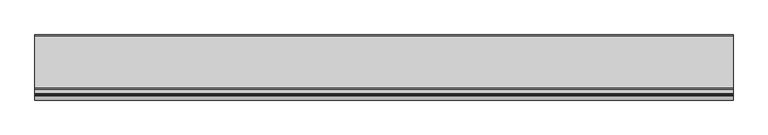
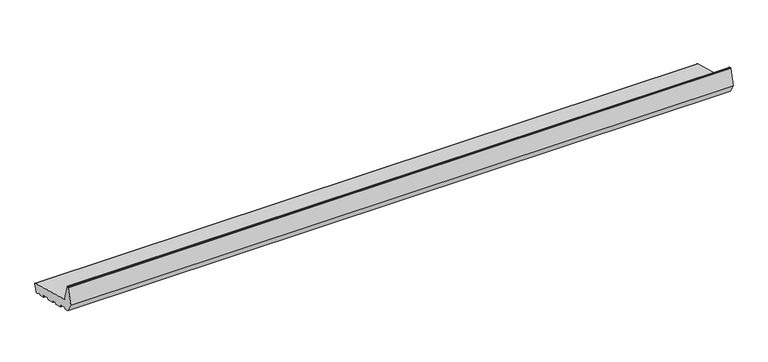
"""IFC4 building model written with IfcOpenShell, lengths in millimetres: proxy geometry."""

from ifc_helpers import new_model, si_unit, point, frame, frame_2d, origin, place, context, project, spatial, polyline, circle_curve, trimmed, segment, composite_curve, outline, extrude, source, transform, mapped, element, save


def generic_models_4727c7d5(model_context):
    return source(origin(), model_context, "Body", "SweptSolid", [
        extrude(outline(composite_curve([segment(polyline([(24.5646181, 4.2013545), (21.6668406, 4.9778116), (7.6810717, 13.5112573)]), True, "CONTINUOUS"), segment(trimmed(circle_curve(frame_2d((7.1602179, 12.6576114)), 1.0), [point((7.6810717, 13.5112573))], [point((6.1942921, 12.9164305))], True, "CARTESIAN"), True, "CONTINUOUS"), segment(polyline([(6.1942921, 12.9164305), (5.2461016, 9.3777354)]), True, "CONTINUOUS"), segment(trimmed(circle_curve(frame_2d((4.2801757, 9.6365544)), 1.0), [point((5.2461016, 9.3777354))], [point((4.0213567, 8.6706286))], False, "CARTESIAN"), True, "CONTINUOUS"), segment(polyline([(4.0213567, 8.6706286), (-13.3653082, 13.3293714)]), True, "CONTINUOUS"), segment(trimmed(circle_curve(frame_2d((-13.1064891, 14.2952972)), 1.0), [point((-13.3653082, 13.3293714))], [point((-14.072415, 14.5541163))], False, "CARTESIAN"), True, "CONTINUOUS"), segment(polyline([(-14.072415, 14.5541163), (-13.0371388, 18.4178196)]), True, "CONTINUOUS"), segment(trimmed(circle_curve(frame_2d((-14.0030646, 18.6766386)), 1.0), [point((-13.0371388, 18.4178196))], [point((-13.7442456, 19.6425645))], True, "CARTESIAN"), True, "CONTINUOUS"), segment(polyline([(-13.7442456, 19.6425645), (-39.8242429, 26.6306787)]), True, "CONTINUOUS"), segment(trimmed(circle_curve(frame_2d((-40.0830619, 25.6647528)), 1.0), [point((-39.8242429, 26.6306787))], [point((-41.0489877, 25.9235719))], True, "CARTESIAN"), True, "CONTINUOUS"), segment(polyline([(-41.0489877, 25.9235719), (-42.0842639, 22.0598686)]), True, "CONTINUOUS"), segment(trimmed(circle_curve(frame_2d((-43.0501897, 22.3186876)), 1.0), [point((-42.0842639, 22.0598686))], [point((-43.3090088, 21.3527618))], False, "CARTESIAN"), True, "CONTINUOUS"), segment(polyline([(-43.3090088, 21.3527618), (-68.4230803, 28.082057)]), True, "CONTINUOUS"), segment(trimmed(circle_curve(frame_2d((-68.1642612, 29.0479828)), 1.0), [point((-68.4230803, 28.082057))], [point((-69.1301871, 29.3068018))], False, "CARTESIAN"), True, "CONTINUOUS"), segment(polyline([(-69.1301871, 29.3068018), (-68.0949109, 33.1705052)]), True, "CONTINUOUS"), segment(trimmed(circle_curve(frame_2d((-69.0608367, 33.4293242)), 1.0), [point((-68.0949109, 33.1705052))], [point((-68.8020177, 34.39525))], True, "CARTESIAN"), True, "CONTINUOUS"), segment(polyline([(-68.8020177, 34.39525), (-84.2568309, 38.5363547)]), True, "CONTINUOUS"), segment(trimmed(circle_curve(frame_2d((-84.5156499, 37.5704289)), 1.0), [point((-84.2568309, 38.5363547))], [point((-85.4815758, 37.829248))], True, "CARTESIAN"), True, "CONTINUOUS"), segment(polyline([(-85.4815758, 37.829248), (-86.5168519, 33.9655447)]), True, "CONTINUOUS"), segment(trimmed(circle_curve(frame_2d((-87.4827778, 34.2243637)), 1.0), [point((-86.5168519, 33.9655447))], [point((-87.7415968, 33.2584379))], False, "CARTESIAN"), True, "CONTINUOUS"), segment(polyline([(-87.7415968, 33.2584379), (-112.8556683, 39.9877331)]), True, "CONTINUOUS"), segment(trimmed(circle_curve(frame_2d((-112.5968492, 40.9536589)), 1.0), [point((-112.8556683, 39.9877331))], [point((-113.5627751, 41.2124779))], False, "CARTESIAN"), True, "CONTINUOUS"), segment(polyline([(-113.5627751, 41.2124779), (-112.5274989, 45.0761812)]), True, "CONTINUOUS"), segment(trimmed(circle_curve(frame_2d((-113.4934247, 45.3350003)), 1.0), [point((-112.5274989, 45.0761812))], [point((-113.2346057, 46.3009261))], True, "CARTESIAN"), True, "CONTINUOUS"), segment(polyline([(-113.2346057, 46.3009261), (-139.314603, 53.2890403)]), True, "CONTINUOUS"), segment(trimmed(circle_curve(frame_2d((-139.573422, 52.3231145)), 1.0), [point((-139.314603, 53.2890403))], [point((-140.5393479, 52.5819335))], True, "CARTESIAN"), True, "CONTINUOUS"), segment(polyline([(-140.5393479, 52.5819335), (-141.574624, 48.7182302)]), True, "CONTINUOUS"), segment(trimmed(circle_curve(frame_2d((-142.5405499, 48.9770493)), 1.0), [point((-141.574624, 48.7182302))], [point((-142.7993689, 48.0111234))], False, "CARTESIAN"), True, "CONTINUOUS"), segment(polyline([(-142.7993689, 48.0111234), (-156.3223305, 51.6345901), (-174.0, 82.2532119), (-159.6423334, 135.8367531)]), True, "CONTINUOUS"), segment(trimmed(circle_curve(frame_2d((-158.1934447, 135.4485245)), 1.5), [point((-159.6423334, 135.8367531))], [point((-158.1934447, 136.9485245))], False, "CARTESIAN"), True, "CONTINUOUS"), segment(polyline([(-158.1934447, 136.9485245), (-155.1818846, 136.9485245)]), True, "CONTINUOUS"), segment(trimmed(circle_curve(frame_2d((-155.1818846, 135.4485245)), 1.5), [point((-155.1818846, 136.9485245))], [point((-153.7329958, 135.8367531))], False, "CARTESIAN"), True, "CONTINUOUS"), segment(polyline([(-153.7329958, 135.8367531), (-139.984545, 84.5268362)]), True, "CONTINUOUS"), segment(trimmed(circle_curve(frame_2d((-134.1889901, 86.0797504)), 6.0), [point((-139.984545, 84.5268362))], [point((-135.7419043, 80.2841955))], True, "CARTESIAN"), True, "CONTINUOUS"), segment(polyline([(-135.7419043, 80.2841955), (32.8468275, 35.1109809)]), True, "CONTINUOUS"), segment(trimmed(circle_curve(frame_2d((32.0703704, 32.2132034)), 3.0), [point((32.8468275, 35.1109809))], [point((34.9681479, 31.4367463))], False, "CARTESIAN"), True, "CONTINUOUS"), segment(polyline([(34.9681479, 31.4367463), (28.2388527, 6.3226748)]), True, "CONTINUOUS"), segment(trimmed(circle_curve(frame_2d((25.3410752, 7.099132)), 3.0), [point((28.2388527, 6.3226748))], [point((24.5646181, 4.2013545))], False, "CARTESIAN"), True, "CONTINUOUS")], self_intersect=False)), frame((0.0, 0.0, 0.0), z_axis=(1.0, 0.0, 0.0), x_axis=(0.0, 1.0, 0.0)), (0.0, 0.0, 1.0), 2240.0),
    ])


if __name__ == "__main__":
    model = new_model("IFC4")
    model_context = context("Model", 3, world=origin())
    ifc_project = project(units=[si_unit("LENGTHUNIT", "METRE", prefix="MILLI")], contexts=[model_context])
    site = spatial("IfcSite", under=ifc_project)
    building = spatial("IfcBuilding", under=site)
    placement = place(None, origin())
    generic_models_shape = generic_models_4727c7d5(model_context)
    element("IfcBuildingElementProxy", 1, Name="Generic Models", at=placement, inside=building, context=model_context, shape_type="MappedRepresentation", body=[
        mapped(generic_models_shape, transform((0.0, 0.0, 0.0), x_axis=(1.0, 0.0, 0.0), y_axis=(0.0, 1.0, 0.0), z_axis=(0.0, 0.0, 1.0))),
    ])
    save(model, "model.ifc")
